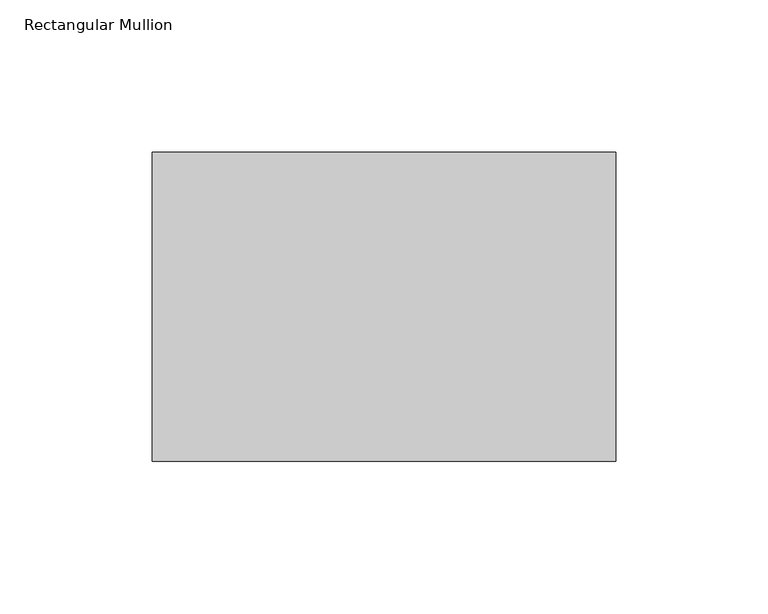
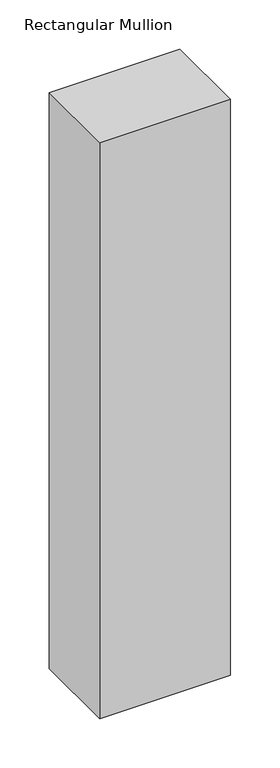
"""IFC4 building model written with IfcOpenShell, lengths in millimetres: member geometry, Rectangular Mullion."""

from ifc_helpers import new_model, si_unit, frame, origin, place, context, project, spatial, polyline, outline, extrude, source, transform, mapped, element, save


def rectangular_mullion_ace0bac6(model_context):
    return source(origin(), model_context, "Body", "SweptSolid", [
        extrude(outline(polyline([(0.0, 19.05), (0.0, -82.55), (-152.4, -82.55), (-152.4, 19.05), (0.0, 19.05)])), frame((0.0, 0.0, -711.2), z_axis=(0.0, 0.0, 1.0), x_axis=(1.0, 0.0, 0.0)), (0.0, 0.0, 1.0), 711.2),
    ])


if __name__ == "__main__":
    model = new_model("IFC4")
    model_context = context("Model", 3, world=origin())
    ifc_project = project(units=[si_unit("LENGTHUNIT", "METRE", prefix="MILLI")], contexts=[model_context])
    site = spatial("IfcSite", under=ifc_project)
    building = spatial("IfcBuilding", under=site)
    placement = place(None, origin())
    rectangular_mullion_shape = rectangular_mullion_ace0bac6(model_context)
    element("IfcMember", 1, ObjectType="Rectangular Mullion", at=placement, inside=building, context=model_context, shape_type="MappedRepresentation", body=[
        mapped(rectangular_mullion_shape, transform((0.0, 0.0, 0.0), x_axis=(1.0, 0.0, 0.0), y_axis=(0.0, 1.0, 0.0), z_axis=(0.0, 0.0, 1.0))),
    ])
    save(model, "model.ifc")
